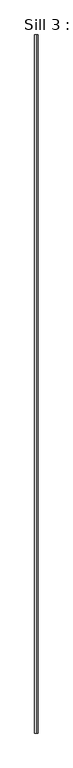
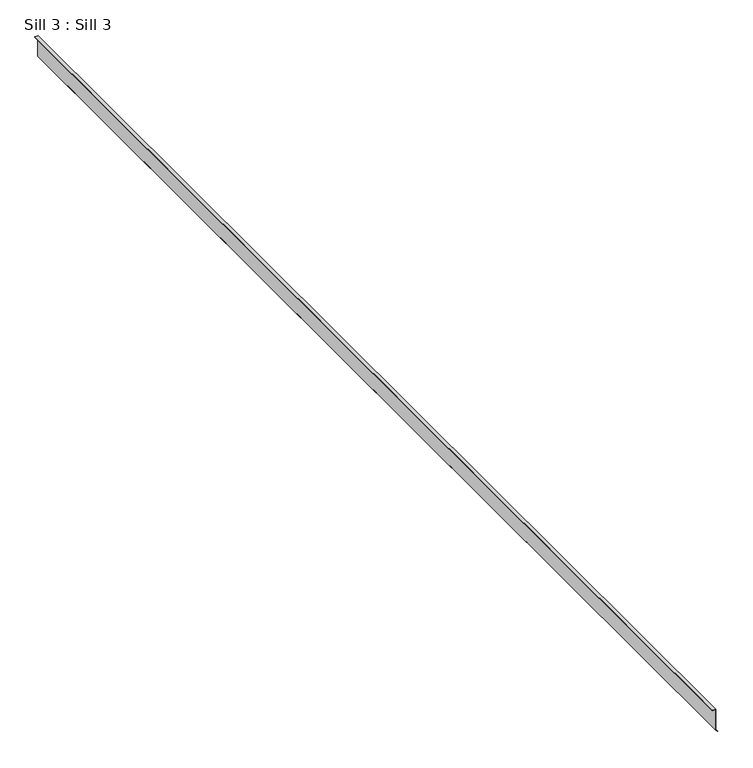
"""IFC4 building model written with IfcOpenShell, lengths in millimetres: proxy geometry, Sill 3 : Sill 3."""

from ifc_helpers import new_model, si_unit, frame, origin, place, context, project, spatial, polyline, outline, extrude, source, transform, mapped, element, save


def sill_3_sill_3_171d22f2(model_context):
    return source(origin(), model_context, "Body", "SweptSolid", [
        extrude(outline(polyline([(-206.6523012, 12061.3331259), (-205.5274575, 12062.4579696), (-197.0075262, 12053.9380383), (-114.7229915, 12053.9380383), (-114.7229915, 12041.8101612), (-116.3090526, 12041.8101612), (-116.3090526, 12052.3541486), (-197.6733239, 12052.3541486), (-206.6523012, 12061.3331259)])), frame((0.0, -22478.3036622, 0.0), z_axis=(0.0, 1.0, 0.0), x_axis=(0.0, 0.0, 1.0)), (0.0, 0.0, 1.0), 4467.1335985),
    ])


if __name__ == "__main__":
    model = new_model("IFC4")
    model_context = context("Model", 3, world=origin())
    ifc_project = project(units=[si_unit("LENGTHUNIT", "METRE", prefix="MILLI")], contexts=[model_context])
    site = spatial("IfcSite", under=ifc_project)
    building = spatial("IfcBuilding", under=site)
    placement = place(None, origin())
    sill_3_sill_3_shape = sill_3_sill_3_171d22f2(model_context)
    element("IfcBuildingElementProxy", 1, Name="Sill 3 : Sill 3", ObjectType="Sill 3 : Sill 3", at=placement, inside=building, context=model_context, shape_type="MappedRepresentation", body=[
        mapped(sill_3_sill_3_shape, transform((0.0, 0.0, 0.0), x_axis=(1.0, 0.0, 0.0), y_axis=(0.0, 1.0, 0.0), z_axis=(0.0, 0.0, 1.0))),
    ])
    save(model, "model.ifc")
